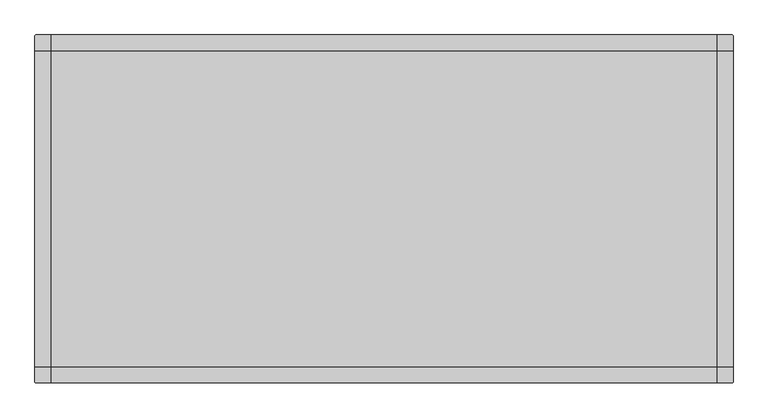
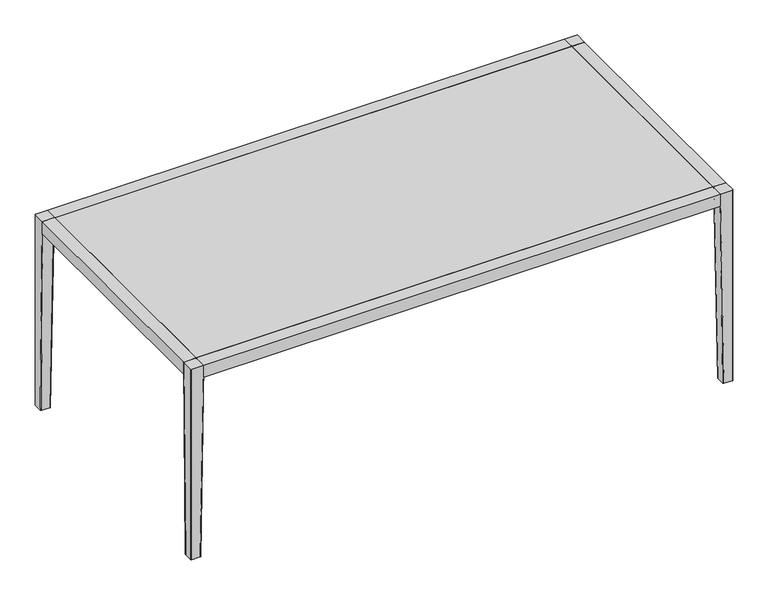
"""IFC4 building model written with IfcOpenShell, lengths in millimetres: furniture geometry."""

from ifc_helpers import new_model, si_unit, frame, origin, place, context, project, spatial, polyline, circle_curve, outline, extrude, source, transform, mapped, element, save
from ifc_brep_helpers import plane_surface, cylinder_surface, revolved_surface, spline_surface, advanced_brep


def furniture_0226a54e(model_context):
    return source(origin(), model_context, "Body", "SolidModel", [
        advanced_brep(
        [(949.708744, 494.4450592, 749.3), (-956.058744, 494.4450592, 749.3), (-956.058744, 453.516402, 749.3), (-961.1391642, 447.2946123, 749.3), (-1003.3, 447.2946123, 749.3), (-1003.3, -455.5481292, 749.3), (-962.408744, -455.5481292, 749.3), (-956.058744, -461.8981292, 749.3), (-956.058744, -502.5049408, 749.3), (949.708744, -502.5049408, 749.3), (949.708744, -461.8981292, 749.3), (956.058744, -455.5481292, 749.3), (996.95, -455.5481292, 749.3), (996.95, 447.2946123, 749.3), (954.7891642, 447.2946123, 749.3), (949.708744, 453.516402, 749.3), (-956.058744, 447.2946123, 749.3), (949.708744, 447.2946123, 749.3), (949.708744, -455.5481292, 749.3), (-956.058744, -455.5481292, 749.3), (949.708744, 494.4450592, 701.9726563), (949.708744, 453.516402, 701.9726563), (954.7891642, 447.2946123, 701.9726563), (996.95, 447.2946123, 701.9726563), (996.95, -455.5481292, 701.9726563), (956.058744, -455.5481292, 701.9726563), (949.708744, -461.8981292, 701.9726563), (949.708744, -502.5049408, 701.9726563), (-956.058744, -502.5049408, 701.9726563), (-956.058744, -461.8981292, 701.9726563), (-962.408744, -455.5481292, 701.9726563), (-1003.3, -455.5481292, 701.9726563), (-1003.3, 447.2946123, 701.9726563), (-961.1391642, 447.2946123, 701.9726563), (-956.058744, 453.516402, 701.9726563), (-956.058744, 494.4450592, 701.9726563), (949.708744, 447.2946123, 739.7749758), (-956.058744, 447.2946123, 739.7749758), (-956.058744, -455.5481292, 739.7749758), (949.708744, -455.5481292, 739.7749758)],
        [
            (0, 1),
            (1, 2),
            (2, 3, circle_curve(frame((-962.408744, 453.516402, 749.3), z_axis=(0.0, 0.0, -1.0), x_axis=(1.0, 0.0, 0.0)), 6.35)),
            (3, 4),
            (4, 5),
            (5, 6),
            (6, 7, circle_curve(frame((-962.408744, -461.8981292, 749.3), z_axis=(0.0, 0.0, -1.0), x_axis=(1.0, 0.0, 0.0)), 6.35)),
            (7, 8),
            (8, 9),
            (9, 10),
            (10, 11, circle_curve(frame((956.058744, -461.8981292, 749.3), z_axis=(0.0, 0.0, -1.0), x_axis=(1.0, 0.0, 0.0)), 6.35)),
            (11, 12),
            (12, 13),
            (13, 14),
            (14, 15, circle_curve(frame((956.058744, 453.516402, 749.3), z_axis=(0.0, 0.0, -1.0), x_axis=(1.0, 0.0, 0.0)), 6.35)),
            (15, 0),
            (16, 17),
            (17, 18),
            (18, 19),
            (19, 16),
            (20, 21),
            (21, 22, circle_curve(frame((956.058744, 453.516402, 701.9726563), z_axis=(0.0, 0.0, 1.0), x_axis=(1.0, 0.0, 0.0)), 6.35)),
            (22, 23),
            (23, 24),
            (24, 25),
            (25, 26, circle_curve(frame((956.058744, -461.8981292, 701.9726563), z_axis=(0.0, 0.0, 1.0), x_axis=(1.0, 0.0, 0.0)), 6.35)),
            (26, 27),
            (27, 28),
            (28, 29),
            (29, 30, circle_curve(frame((-962.408744, -461.8981292, 701.9726563), z_axis=(0.0, 0.0, 1.0), x_axis=(1.0, 0.0, 0.0)), 6.35)),
            (30, 31),
            (31, 32),
            (32, 33),
            (33, 34, circle_curve(frame((-962.408744, 453.516402, 701.9726563), z_axis=(0.0, 0.0, 1.0), x_axis=(1.0, 0.0, 0.0)), 6.35)),
            (34, 35),
            (35, 20),
            (0, 20),
            (35, 1),
            (4, 32),
            (31, 5),
            (8, 28),
            (27, 9),
            (12, 24),
            (23, 13),
            (34, 2),
            (33, 3),
            (30, 6),
            (29, 7),
            (26, 10),
            (25, 11),
            (22, 14),
            (21, 15),
            (36, 37),
            (37, 38),
            (38, 39),
            (39, 36),
            (36, 17),
            (16, 37),
            (19, 38),
            (18, 39),
        ],
        [
            plane_surface(frame((-956.058744, 494.4450592, 749.3), z_axis=(0.0, 0.0, 1.0), x_axis=(-1.0, 0.0, 0.0))),
            plane_surface(frame((-956.058744, 494.4450592, 701.9726563), z_axis=(0.0, 0.0, -1.0), x_axis=(1.0, 0.0, 0.0))),
            plane_surface(frame((949.708744, 494.4450592, 749.3), z_axis=(0.0, 1.0, 0.0), x_axis=(0.0, 0.0, -1.0))),
            plane_surface(frame((-1003.3, 447.2946123, 749.3), z_axis=(-1.0, 0.0, 0.0), x_axis=(0.0, 0.0, -1.0))),
            plane_surface(frame((-956.058744, -502.5049408, 749.3), z_axis=(0.0, -1.0, 0.0), x_axis=(0.0, 0.0, -1.0))),
            plane_surface(frame((996.95, -455.5481292, 749.3), z_axis=(1.0, 0.0, 0.0), x_axis=(0.0, 0.0, -1.0))),
            plane_surface(frame((-956.058744, 494.4450592, 749.3), z_axis=(-1.0, -1.372479240123689e-12, 0.0), x_axis=(0.0, 0.0, -1.0))),
            revolved_surface(polyline([(-956.0587439999999, 453.516402, 701.9726563), (-956.0587439999999, 453.516402, 749.3)]), (-962.408744, 453.516402, 701.9726563), (0.0, 0.0, -1.0)),
            plane_surface(frame((-961.1391642, 447.2946123, 749.3), z_axis=(0.0, 1.0, 0.0), x_axis=(0.0, 0.0, -1.0))),
            plane_surface(frame((-1003.3, -455.5481292, 749.3), z_axis=(1.188363166017551e-12, -1.0, 0.0), x_axis=(0.0, 0.0, -1.0))),
            revolved_surface(polyline([(-956.0587439999999, -461.8981292, 701.9726563), (-956.0587439999999, -461.8981292, 749.3)]), (-962.408744, -461.8981292, 701.9726563), (0.0, 0.0, -1.0)),
            plane_surface(frame((-956.058744, -461.8981292, 749.3), z_axis=(-1.0, 0.0, 0.0), x_axis=(0.0, 0.0, -1.0))),
            plane_surface(frame((949.708744, -502.5049408, 749.3), z_axis=(1.0, 0.0, 0.0), x_axis=(0.0, 0.0, -1.0))),
            revolved_surface(polyline([(962.4087440000001, -461.8981292, 701.9726563), (962.4087440000001, -461.8981292, 749.3)]), (956.058744, -461.8981292, 701.9726563), (0.0, 0.0, -1.0)),
            plane_surface(frame((956.058744, -455.5481292, 749.3), z_axis=(0.0, -1.0, 0.0), x_axis=(0.0, 0.0, -1.0))),
            plane_surface(frame((996.95, 447.2946123, 749.3), z_axis=(0.0, 1.0, 0.0), x_axis=(0.0, 0.0, -1.0))),
            revolved_surface(polyline([(962.4087440000001, 453.516402, 701.9726563), (962.4087440000001, 453.516402, 749.3)]), (956.058744, 453.516402, 701.9726563), (0.0, 0.0, -1.0)),
            plane_surface(frame((949.708744, 453.516402, 749.3), z_axis=(1.0, 0.0, 0.0), x_axis=(0.0, 0.0, -1.0))),
            plane_surface(frame((-956.058744, 447.2946123, 739.7749758), z_axis=(0.0, 0.0, 1.0), x_axis=(1.0, 0.0, 0.0))),
            plane_surface(frame((949.708744, 447.2946123, 807.0706463), z_axis=(0.0, -1.0, 0.0), x_axis=(0.0, 0.0, -1.0))),
            plane_surface(frame((-956.058744, 447.2946123, 807.0706463), z_axis=(1.0, 0.0, 0.0), x_axis=(0.0, 0.0, -1.0))),
            plane_surface(frame((-956.058744, -455.5481292, 807.0706463), z_axis=(0.0, 1.0, 0.0), x_axis=(0.0, 0.0, -1.0))),
            plane_surface(frame((949.708744, -455.5481292, 807.0706463), z_axis=(-1.0, 0.0, 0.0), x_axis=(0.0, 0.0, -1.0))),
        ],
        [
            (0, [[1, 2, 3, 4, 5, 6, 7, 8, 9, 10, 11, 12, 13, 14, 15, 16], [17, 18, 19, 20]]),
            (1, [[21, 22, 23, 24, 25, 26, 27, 28, 29, 30, 31, 32, 33, 34, 35, 36]]),
            (2, [[-1, 37, -36, 38]]),
            (3, [[-5, 39, -32, 40]]),
            (4, [[-9, 41, -28, 42]]),
            (5, [[-13, 43, -24, 44]]),
            (6, [[-2, -38, -35, 45]]),
            (7, [[-3, -45, -34, 46]]),
            (8, [[-4, -46, -33, -39]]),
            (9, [[-6, -40, -31, 47]]),
            (10, [[-7, -47, -30, 48]]),
            (11, [[-8, -48, -29, -41]]),
            (12, [[-10, -42, -27, 49]]),
            (13, [[-11, -49, -26, 50]]),
            (14, [[-12, -50, -25, -43]]),
            (15, [[-14, -44, -23, 51]]),
            (16, [[-15, -51, -22, 52]]),
            (17, [[-16, -52, -21, -37]]),
            (18, [[53, 54, 55, 56]]),
            (19, [[-53, 57, -17, 58]]),
            (20, [[-54, -58, -20, 59]]),
            (21, [[-55, -59, -19, 60]]),
            (22, [[-56, -60, -18, -57]]),
        ],
    ),
        extrude(outline(polyline([(949.708744, 447.2946123), (949.708744, -455.5481292), (-956.058744, -455.5481292), (-956.058744, 447.2946123), (949.708744, 447.2946123)])), frame((0.0, 0.0, 739.775), z_axis=(0.0, 0.0, 1.0), x_axis=(1.0, 0.0, 0.0)), (0.0, 0.0, 1.0), 9.525),
        advanced_brep(
        [(-1000.1081575, 494.4450592, 749.3), (-1003.3, 491.2532167, 749.3), (-1003.3, 447.166402, 749.3), (-962.408744, 447.166402, 749.3), (-956.058744, 453.516402, 749.3), (-956.058744, 494.4450592, 749.3), (-1000.125, 494.4450592, 6.3500002), (-969.4216941, 494.4450592, 6.3500002), (-966.2466941, 491.2700592, 6.3500002), (-966.2466941, 460.488133, 6.3500002), (-969.380475, 457.3543521, 6.3500002), (-1000.1558826, 457.3543521, 6.3500002), (-1003.3, 460.4984695, 6.3500002), (-1003.3, 491.2700592, 6.3500002)],
        [
            (0, 1, circle_curve(frame((-1000.1081575, 491.2532167, 749.3), z_axis=(0.0, 0.0, 1.0), x_axis=(-1.0, 0.0, 0.0)), 3.1918425)),
            (1, 2),
            (2, 3),
            (3, 4, circle_curve(frame((-962.408744, 453.516402, 749.3), z_axis=(0.0, 0.0, 1.0), x_axis=(-1.0, 0.0, 0.0)), 6.35)),
            (4, 5),
            (5, 0),
            (6, 7),
            (7, 8, circle_curve(frame((-969.4216941, 491.2700592, 6.3500002), z_axis=(0.0, 0.0, -1.0), x_axis=(-1.0, 0.0, 0.0)), 3.175)),
            (8, 9),
            (9, 10, circle_curve(frame((-969.380475, 460.488133, 6.3500002), z_axis=(0.0, 0.0, -1.0), x_axis=(-1.0, 0.0, 0.0)), 3.1337809)),
            (10, 11),
            (11, 12, circle_curve(frame((-1000.1558826, 460.4984695, 6.3500002), z_axis=(0.0, 0.0, -1.0), x_axis=(-1.0, 0.0, 0.0)), 3.1441174)),
            (12, 13),
            (13, 6, circle_curve(frame((-1000.125, 491.2700592, 6.3500002), z_axis=(0.0, 0.0, -1.0), x_axis=(-1.0, 0.0, 0.0)), 3.175)),
            (6, 0),
            (5, 7),
            (8, 5),
            (4, 9),
            (10, 3),
            (2, 11),
            (12, 2),
            (1, 13),
        ],
        [
            plane_surface(frame((-980.2057316, 471.3320902, 749.3), z_axis=(0.0, 0.0, 1.0), x_axis=(-1.0, 0.0, 0.0))),
            plane_surface(frame((-984.772055, 475.890693, 6.3500002), z_axis=(0.0, 0.0, -1.0), x_axis=(-1.0, 0.0, 0.0))),
            plane_surface(frame((-984.773347, 494.4450592, 6.3500002), z_axis=(0.0, 1.0, 0.0), x_axis=(-1.0, 0.0, 0.0))),
            plane_surface(frame((-966.2466941, 475.8790961, 6.3500002), z_axis=(0.9999059923483925, 0.0, -0.013711544981382322), x_axis=(0.0, 1.0, 0.0))),
            plane_surface(frame((-984.7681788, 457.3543521, 6.3500002), z_axis=(0.0, -0.9999059923483924, -0.013711544981389243), x_axis=(1.0, 0.0, 0.0))),
            plane_surface(frame((-1003.3, 475.8842644, 6.3500002), z_axis=(-1.0, 0.0, 0.0), x_axis=(0.0, -1.0, 0.0))),
            spline_surface(2, 1, [[(-966.2466941, 491.2700592, 6.3500002), (-956.058744, 494.4450592, 749.3)], [(-966.2466941, 494.44505919999995, 6.3500002), (-956.058744, 494.4450592, 749.3)], [(-969.4216941, 494.4450592, 6.3500002), (-956.058744, 494.4450592, 749.3)]], [3, 3], [2, 2], [0.0, 1.0], [0.0, 1.0], weights=[[1.0, 1.0], [0.7071067811865538, 0.7071067811865538], [1.0, 1.0]]),
            spline_surface(2, 1, [[(-969.380475, 457.3543521, 6.3500002), (-962.408744, 447.166402, 749.3)], [(-966.2466941, 457.35435209999997, 6.3500002), (-956.0587439999999, 447.1664019999999, 749.3)], [(-966.2466941, 460.488133, 6.3500002), (-956.058744, 453.516402, 749.3)]], [3, 3], [2, 2], [0.0, 1.0], [0.0, 1.0], weights=[[1.0, 1.0], [0.7071067811865411, 0.7071067811865411], [1.0, 1.0]]),
            spline_surface(2, 1, [[(-1003.3, 460.4984695, 6.3500002), (-1003.3, 447.166402, 749.3)], [(-1003.3, 457.3543521000001, 6.3500002), (-1003.3, 447.166402, 749.3)], [(-1000.1558826, 457.3543521, 6.3500002), (-1003.3, 447.166402, 749.3)]], [3, 3], [2, 2], [0.0, 1.0], [0.0, 1.0], weights=[[1.0, 1.0], [0.7071067811865539, 0.7071067811865539], [1.0, 1.0]]),
            spline_surface(2, 1, [[(-1000.125, 494.4450592, 6.3500002), (-1000.1081575, 494.4450592, 749.3)], [(-1003.3, 494.4450592, 6.3500002), (-1003.3, 494.4450592, 749.3)], [(-1003.3, 491.2700592, 6.3500002), (-1003.3, 491.2532167, 749.3)]], [3, 3], [2, 2], [0.0, 1.0], [0.0, 1.0], weights=[[1.0, 1.0], [0.7071067811865476, 0.7071067811865476], [1.0, 1.0]]),
        ],
        [
            (0, [[1, 2, 3, 4, 5, 6]]),
            (1, [[7, 8, 9, 10, 11, 12, 13, 14]]),
            (2, [[-7, 15, -6, 16]]),
            (3, [[-9, 17, -5, 18]]),
            (4, [[-11, 19, -3, 20]]),
            (5, [[-13, 21, -2, 22]]),
            (6, [[-8, -16, -17]]),
            (7, [[-10, -18, -4, -19]]),
            (8, [[-12, -20, -21]]),
            (9, [[-14, -22, -1, -15]]),
        ],
    ),
        advanced_brep(
        [(993.7292474, 494.4450592, 749.3), (949.708744, 494.4450592, 749.3), (949.708744, 453.516402, 749.3), (956.058744, 447.166402, 749.3), (996.95, 447.166402, 749.3), (996.95, 491.2243066, 749.3), (993.775, 494.4450592, 6.3500002), (996.95, 491.2700592, 6.3500002), (996.95, 460.4984695, 6.3500002), (993.8058826, 457.3543521, 6.3500002), (963.030475, 457.3543521, 6.3500002), (959.8966941, 460.488133, 6.3500002), (959.8966941, 491.2700592, 6.3500002), (963.0716941, 494.4450592, 6.3500002)],
        [
            (0, 1),
            (1, 2),
            (2, 3, circle_curve(frame((956.058744, 453.516402, 749.3), z_axis=(0.0, 0.0, 1.0), x_axis=(1.0, 0.0, 0.0)), 6.35)),
            (3, 4),
            (4, 5),
            (5, 0, circle_curve(frame((993.7292474, 491.2243066, 749.3), z_axis=(0.0, 0.0, 1.0), x_axis=(1.0, 0.0, 0.0)), 3.2207526)),
            (6, 7, circle_curve(frame((993.775, 491.2700592, 6.3500002), z_axis=(0.0, 0.0, -1.0), x_axis=(1.0, 0.0, 0.0)), 3.175)),
            (7, 8),
            (8, 9, circle_curve(frame((993.8058826, 460.4984695, 6.3500002), z_axis=(0.0, 0.0, -1.0), x_axis=(1.0, 0.0, 0.0)), 3.1441174)),
            (9, 10),
            (10, 11, circle_curve(frame((963.030475, 460.488133, 6.3500002), z_axis=(0.0, 0.0, -1.0), x_axis=(1.0, 0.0, 0.0)), 3.1337809)),
            (11, 12),
            (12, 13, circle_curve(frame((963.0716941, 491.2700592, 6.3500002), z_axis=(0.0, 0.0, -1.0), x_axis=(1.0, 0.0, 0.0)), 3.175)),
            (13, 6),
            (13, 1),
            (0, 6),
            (11, 2),
            (1, 12),
            (9, 4),
            (3, 10),
            (7, 5),
            (4, 8),
        ],
        [
            plane_surface(frame((973.8509132, 471.3272719, 749.3), z_axis=(0.0, 0.0, 1.0), x_axis=(-1.0, 0.0, 0.0))),
            plane_surface(frame((978.422055, 475.890693, 6.3500002), z_axis=(0.0, 0.0, -1.0), x_axis=(-1.0, 0.0, 0.0))),
            plane_surface(frame((978.423347, 494.4450592, 6.3500002), z_axis=(0.0, 1.0, 0.0), x_axis=(-1.0, 0.0, 0.0))),
            plane_surface(frame((959.8966941, 475.8790961, 6.3500002), z_axis=(-0.9999059923483927, 0.0, -0.013711544981364584), x_axis=(0.0, -1.0, 0.0))),
            plane_surface(frame((978.4181788, 457.3543521, 6.3500002), z_axis=(0.0, -0.9999059923483923, -0.01371154498140265), x_axis=(1.0, 0.0, 0.0))),
            plane_surface(frame((996.95, 475.8842644, 6.3500002), z_axis=(1.0, 0.0, 0.0), x_axis=(0.0, 1.0, 0.0))),
            spline_surface(2, 1, [[(963.0716941, 494.4450592, 6.3500002), (949.708744, 494.4450592, 749.3)], [(959.8966940999999, 494.44505920000006, 6.3500002), (949.708744, 494.4450592, 749.3)], [(959.8966941, 491.2700592, 6.3500002), (949.708744, 494.4450592, 749.3)]], [3, 3], [2, 2], [0.0, 1.0], [0.0, 1.0], weights=[[1.0, 1.0], [0.7071067811865411, 0.7071067811865411], [1.0, 1.0]]),
            spline_surface(2, 1, [[(959.8966941, 460.488133, 6.3500002), (949.708744, 453.516402, 749.3)], [(959.8966941, 457.35435209999997, 6.3500002), (949.708744, 447.166402, 749.3)], [(963.030475, 457.3543521, 6.3500002), (956.058744, 447.166402, 749.3)]], [3, 3], [2, 2], [0.0, 1.0], [0.0, 1.0], weights=[[1.0, 1.0], [0.7071067811865476, 0.7071067811865476], [1.0, 1.0]]),
            spline_surface(2, 1, [[(993.8058826, 457.3543521, 6.3500002), (996.95, 447.166402, 749.3)], [(996.95, 457.3543521000001, 6.3500002), (996.95, 447.166402, 749.3)], [(996.95, 460.4984695, 6.3500002), (996.95, 447.166402, 749.3)]], [3, 3], [2, 2], [0.0, 1.0], [0.0, 1.0], weights=[[1.0, 1.0], [0.7071067811865539, 0.7071067811865539], [1.0, 1.0]]),
            spline_surface(2, 1, [[(996.95, 491.2700592, 6.3500002), (996.95, 491.2243066, 749.3)], [(996.95, 494.44505920000006, 6.3500002), (996.9500000000002, 494.44505920000006, 749.3)], [(993.775, 494.4450592, 6.3500002), (993.7292474, 494.4450592, 749.3)]], [3, 3], [2, 2], [0.0, 1.0], [0.0, 1.0], weights=[[1.0, 1.0], [0.7071067811865412, 0.7071067811865412], [1.0, 1.0]]),
        ],
        [
            (0, [[1, 2, 3, 4, 5, 6]]),
            (1, [[7, 8, 9, 10, 11, 12, 13, 14]]),
            (2, [[-14, 15, -1, 16]]),
            (3, [[-12, 17, -2, 18]]),
            (4, [[-10, 19, -4, 20]]),
            (5, [[-8, 21, -5, 22]]),
            (6, [[-13, -18, -15]]),
            (7, [[-11, -20, -3, -17]]),
            (8, [[-9, -22, -19]]),
            (9, [[-7, -16, -6, -21]]),
        ],
    ),
        advanced_brep(
        [(993.7370244, -502.5049408, 749.3), (996.95, -499.2919652, 749.3), (996.95, -455.5481292, 749.3), (956.058744, -455.5481292, 749.3), (949.708744, -461.8981292, 749.3), (949.708744, -502.5049408, 749.3), (993.775, -502.5049408, 6.3500002), (963.0716941, -502.5049408, 6.3500002), (959.8966941, -499.3299408, 6.3500002), (959.8966941, -468.5480146, 6.3500002), (963.030475, -465.4142337, 6.3500002), (993.8058826, -465.4142337, 6.3500002), (996.95, -468.5583511, 6.3500002), (996.95, -499.3299408, 6.3500002)],
        [
            (0, 1, circle_curve(frame((993.7370244, -499.2919652, 749.3), z_axis=(0.0, 0.0, 1.0), x_axis=(1.0, 0.0, 0.0)), 3.2129756)),
            (1, 2),
            (2, 3),
            (3, 4, circle_curve(frame((956.058744, -461.8981292, 749.3), z_axis=(0.0, 0.0, 1.0), x_axis=(1.0, 0.0, 0.0)), 6.35)),
            (4, 5),
            (5, 0),
            (6, 7),
            (7, 8, circle_curve(frame((963.0716941, -499.3299408, 6.3500002), z_axis=(0.0, 0.0, -1.0), x_axis=(1.0, 0.0, 0.0)), 3.175)),
            (8, 9),
            (9, 10, circle_curve(frame((963.030475, -468.5480146, 6.3500002), z_axis=(0.0, 0.0, -1.0), x_axis=(1.0, 0.0, 0.0)), 3.1337809)),
            (10, 11),
            (11, 12, circle_curve(frame((993.8058826, -468.5583511, 6.3500002), z_axis=(0.0, 0.0, -1.0), x_axis=(1.0, 0.0, 0.0)), 3.1441174)),
            (12, 13),
            (13, 6, circle_curve(frame((993.775, -499.3299408, 6.3500002), z_axis=(0.0, 0.0, -1.0), x_axis=(1.0, 0.0, 0.0)), 3.175)),
            (6, 0),
            (5, 7),
            (8, 5),
            (4, 9),
            (10, 3),
            (2, 11),
            (12, 2),
            (1, 13),
        ],
        [
            plane_surface(frame((973.8522094, -479.5493724, 749.3), z_axis=(0.0, 0.0, 1.0), x_axis=(1.0, 0.0, 0.0))),
            plane_surface(frame((978.422055, -483.9505745, 6.3500002), z_axis=(0.0, 0.0, -1.0), x_axis=(1.0, 0.0, 0.0))),
            plane_surface(frame((978.423347, -502.5049408, 6.3500002), z_axis=(0.0, -1.0, 0.0), x_axis=(1.0, 0.0, 0.0))),
            plane_surface(frame((959.8966941, -483.9389777, 6.3500002), z_axis=(-0.9999059923483921, 0.0, -0.013711544981412497), x_axis=(0.0, -1.0, 0.0))),
            plane_surface(frame((978.4181788, -465.4142337, 6.3500002), z_axis=(0.0, 0.9999118373131176, -0.013278463808194071), x_axis=(-1.0, 0.0, 0.0))),
            plane_surface(frame((996.95, -483.9441459, 6.3500002), z_axis=(1.0, 0.0, 0.0), x_axis=(0.0, 1.0, 0.0))),
            spline_surface(2, 1, [[(959.8966941, -499.3299408, 6.3500002), (949.708744, -502.5049408, 749.3)], [(959.8966941, -502.50494079999993, 6.3500002), (949.708744, -502.5049408, 749.3)], [(963.0716941, -502.5049408, 6.3500002), (949.708744, -502.5049408, 749.3)]], [3, 3], [2, 2], [0.0, 1.0], [0.0, 1.0], weights=[[1.0, 1.0], [0.7071067811865538, 0.7071067811865538], [1.0, 1.0]]),
            spline_surface(2, 1, [[(963.030475, -465.4142337, 6.3500002), (956.058744, -455.5481292, 749.3)], [(959.8966941000001, -465.4142337, 6.3500002), (949.708744, -455.5481292, 749.3)], [(959.8966941, -468.5480146, 6.3500002), (949.708744, -461.8981292, 749.3)]], [3, 3], [2, 2], [0.0, 1.0], [0.0, 1.0], weights=[[1.0, 1.0], [0.7071067811865476, 0.7071067811865476], [1.0, 1.0]]),
            spline_surface(2, 1, [[(996.95, -468.5583511, 6.3500002), (996.95, -455.5481292, 749.3)], [(996.9500000000002, -465.41423369999995, 6.3500002), (996.95, -455.5481292, 749.3)], [(993.8058826, -465.4142337, 6.3500002), (996.95, -455.5481292, 749.3)]], [3, 3], [2, 2], [0.0, 1.0], [0.0, 1.0], weights=[[1.0, 1.0], [0.7071067811865411, 0.7071067811865411], [1.0, 1.0]]),
            spline_surface(2, 1, [[(993.775, -502.5049408, 6.3500002), (993.7370244, -502.5049408, 749.3)], [(996.95, -502.50494079999993, 6.3500002), (996.95, -502.50494079999993, 749.3)], [(996.95, -499.3299408, 6.3500002), (996.95, -499.2919652, 749.3)]], [3, 3], [2, 2], [0.0, 1.0], [0.0, 1.0], weights=[[1.0, 1.0], [0.7071067811865538, 0.7071067811865538], [1.0, 1.0]]),
        ],
        [
            (0, [[1, 2, 3, 4, 5, 6]]),
            (1, [[7, 8, 9, 10, 11, 12, 13, 14]]),
            (2, [[-7, 15, -6, 16]]),
            (3, [[-9, 17, -5, 18]]),
            (4, [[-11, 19, -3, 20]]),
            (5, [[-13, 21, -2, 22]]),
            (6, [[-8, -16, -17]]),
            (7, [[-10, -18, -4, -19]]),
            (8, [[-12, -20, -21]]),
            (9, [[-14, -22, -1, -15]]),
        ],
    ),
        advanced_brep(
        [(-1000.125, -502.5049408, 749.3), (-956.058744, -502.5049408, 749.3), (-956.058744, -461.8981292, 749.3), (-962.408744, -455.5481292, 749.3), (-1003.3, -455.5481292, 749.3), (-1003.3, -499.3299408, 749.3), (-1000.125, -502.5049408, 6.3500002), (-1003.3, -499.3299408, 6.3500002), (-1003.3, -468.5583511, 6.3500002), (-1000.1558826, -465.4142337, 6.3500002), (-969.380475, -465.4142337, 6.3500002), (-966.2466941, -468.5480146, 6.3500002), (-966.2466941, -499.3299408, 6.3500002), (-969.4216941, -502.5049408, 6.3500002)],
        [
            (0, 1),
            (1, 2),
            (2, 3, circle_curve(frame((-962.408744, -461.8981292, 749.3), z_axis=(0.0, 0.0, 1.0), x_axis=(-1.0, 0.0, 0.0)), 6.35)),
            (3, 4),
            (4, 5),
            (5, 0, circle_curve(frame((-1000.125, -499.3299408, 749.3), z_axis=(0.0, 0.0, 1.0), x_axis=(0.0, -1.0, 0.0)), 3.175)),
            (6, 7, circle_curve(frame((-1000.125, -499.3299408, 6.3500002), z_axis=(0.0, 0.0, -1.0), x_axis=(0.0, -1.0, 0.0)), 3.175)),
            (7, 8),
            (8, 9, circle_curve(frame((-1000.1558826, -468.5583511, 6.3500002), z_axis=(0.0, 0.0, -1.0), x_axis=(-1.0, 0.0, 0.0)), 3.1441174)),
            (9, 10),
            (10, 11, circle_curve(frame((-969.380475, -468.5480146, 6.3500002), z_axis=(0.0, 0.0, -1.0), x_axis=(-1.0, 0.0, 0.0)), 3.1337809)),
            (11, 12),
            (12, 13, circle_curve(frame((-969.4216941, -499.3299408, 6.3500002), z_axis=(0.0, 0.0, -1.0), x_axis=(-1.0, 0.0, 0.0)), 3.175)),
            (13, 6),
            (13, 1),
            (0, 6),
            (11, 2),
            (1, 12),
            (9, 4),
            (3, 10),
            (7, 5),
            (4, 8),
        ],
        [
            plane_surface(frame((-980.2085387, -479.5557016, 749.3), z_axis=(0.0, 0.0, 1.0), x_axis=(1.0, 0.0, 0.0))),
            plane_surface(frame((-984.772055, -483.9505745, 6.3500002), z_axis=(0.0, 0.0, -1.0), x_axis=(1.0, 0.0, 0.0))),
            plane_surface(frame((-984.773347, -502.5049408, 6.3500002), z_axis=(0.0, -1.0, 0.0), x_axis=(1.0, 0.0, 0.0))),
            plane_surface(frame((-966.2466941, -483.9389777, 6.3500002), z_axis=(0.9999059923483924, 0.0, -0.013711544981388697), x_axis=(0.0, 1.0, 0.0))),
            plane_surface(frame((-984.7681788, -465.4142337, 6.3500002), z_axis=(0.0, 0.9999118373131167, -0.013278463808265905), x_axis=(-1.0, 0.0, 0.0))),
            plane_surface(frame((-1003.3, -483.9441459, 6.3500002), z_axis=(-1.0, 0.0, 0.0), x_axis=(0.0, -1.0, 0.0))),
            spline_surface(2, 1, [[(-969.4216941, -502.5049408, 6.3500002), (-956.058744, -502.5049408, 749.3)], [(-966.2466941, -502.50494080000004, 6.3500002), (-956.058744, -502.5049408, 749.3)], [(-966.2466941, -499.3299408, 6.3500002), (-956.058744, -502.5049408, 749.3)]], [3, 3], [2, 2], [0.0, 1.0], [0.0, 1.0], weights=[[1.0, 1.0], [0.7071067811865411, 0.7071067811865411], [1.0, 1.0]]),
            spline_surface(2, 1, [[(-966.2466941, -468.5480146, 6.3500002), (-956.058744, -461.8981292, 749.3)], [(-966.2466941, -465.41423369999995, 6.3500002), (-956.0587440000002, -455.5481292000001, 749.3)], [(-969.380475, -465.4142337, 6.3500002), (-962.408744, -455.5481292, 749.3)]], [3, 3], [2, 2], [0.0, 1.0], [0.0, 1.0], weights=[[1.0, 1.0], [0.7071067811865538, 0.7071067811865538], [1.0, 1.0]]),
            spline_surface(2, 1, [[(-1000.1558826, -465.4142337, 6.3500002), (-1003.3, -455.5481292, 749.3)], [(-1003.3, -465.41423369999995, 6.3500002), (-1003.3, -455.5481292, 749.3)], [(-1003.3, -468.5583511, 6.3500002), (-1003.3, -455.5481292, 749.3)]], [3, 3], [2, 2], [0.0, 1.0], [0.0, 1.0], weights=[[1.0, 1.0], [0.7071067811865411, 0.7071067811865411], [1.0, 1.0]]),
            cylinder_surface(frame((-1000.125, -499.3299408, 6.3500002), z_axis=(0.0, 0.0, 1.0), x_axis=(0.0, -1.0, 0.0)), 3.175),
        ],
        [
            (0, [[1, 2, 3, 4, 5, 6]]),
            (1, [[7, 8, 9, 10, 11, 12, 13, 14]]),
            (2, [[-14, 15, -1, 16]]),
            (3, [[-12, 17, -2, 18]]),
            (4, [[-10, 19, -4, 20]]),
            (5, [[-8, 21, -5, 22]]),
            (6, [[-13, -18, -15]]),
            (7, [[-11, -20, -3, -17]]),
            (8, [[-9, -22, -19]]),
            (9, [[-7, -16, -6, -21]]),
        ],
    ),
    ])


if __name__ == "__main__":
    model = new_model("IFC4")
    model_context = context("Model", 3, world=origin())
    ifc_project = project(units=[si_unit("LENGTHUNIT", "METRE", prefix="MILLI")], contexts=[model_context])
    site = spatial("IfcSite", under=ifc_project)
    building = spatial("IfcBuilding", under=site)
    placement = place(None, origin())
    furniture_shape = furniture_0226a54e(model_context)
    element("IfcFurniture", 1, at=placement, inside=building, context=model_context, shape_type="MappedRepresentation", body=[
        mapped(furniture_shape, transform((0.0, 0.0, 0.0), x_axis=(1.0, 0.0, 0.0), y_axis=(0.0, 1.0, 0.0), z_axis=(0.0, 0.0, 1.0))),
    ])
    save(model, "model.ifc")
